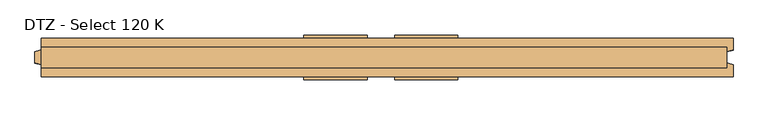
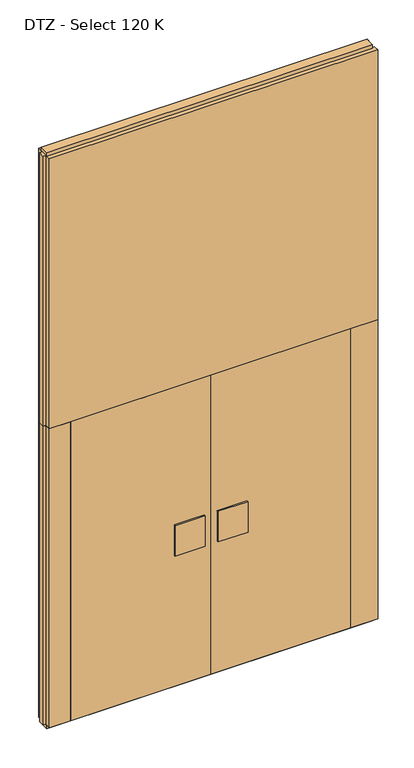
"""IFC4 building model written with IfcOpenShell, lengths in millimetres: door geometry, DTZ - Select 120 K."""

from ifc_helpers import new_model, si_unit, frame, origin, origin_with_axes, place, context, project, spatial, polyline, outline, extrude, source, transform, mapped, element, save


def dtz_select_120_k_d463adde(model_context):
    return source(origin(), model_context, "Body", "SweptSolid", [
        extrude(outline(polyline([(43.0, -70.0), (43.0, -60.0), (240.0, -60.0), (240.0, -70.0), (43.0, -70.0)])), frame((0.0, 0.0, 934.0), z_axis=(0.0, 0.0, 1.0), x_axis=(1.0, 0.0, 0.0)), (0.0, 0.0, 1.0), 212.0),
        extrude(outline(polyline([(43.0, 60.0), (43.0, 70.0), (240.0, 70.0), (240.0, 60.0), (43.0, 60.0)])), frame((0.0, 0.0, 934.0), z_axis=(0.0, 0.0, 1.0), x_axis=(1.0, 0.0, 0.0)), (0.0, 0.0, 1.0), 212.0),
        extrude(outline(polyline([(-920.0, -60.0), (-920.0, 60.0), (0.0, 60.0), (0.0, -60.0), (-920.0, -60.0)])), frame((0.0, 0.0, 25.0), z_axis=(0.0, 0.0, 1.0), x_axis=(1.0, 0.0, 0.0)), (0.0, 0.0, 1.0), 2075.0),
        extrude(outline(polyline([(0.0, -60.0), (0.0, 60.0), (920.0, 60.0), (920.0, -60.0), (0.0, -60.0)])), frame((0.0, 0.0, 25.0), z_axis=(0.0, 0.0, 1.0), x_axis=(1.0, 0.0, 0.0)), (0.0, 0.0, 1.0), 2075.0),
        extrude(outline(polyline([(-240.0, -70.0), (-240.0, -60.0), (-43.0, -60.0), (-43.0, -70.0), (-240.0, -70.0)])), frame((0.0, 0.0, 934.0), z_axis=(0.0, 0.0, 1.0), x_axis=(1.0, 0.0, 0.0)), (0.0, 0.0, 1.0), 212.0),
        extrude(outline(polyline([(-240.0, 60.0), (-240.0, 70.0), (-43.0, 70.0), (-43.0, 60.0), (-240.0, 60.0)])), frame((0.0, 0.0, 934.0), z_axis=(0.0, 0.0, 1.0), x_axis=(1.0, 0.0, 0.0)), (0.0, 0.0, 1.0), 212.0),
        extrude(outline(polyline([(1080.0, 32.0), (1080.0, -32.0), (-1060.0, -32.0), (-1060.0, 32.0), (1080.0, 32.0)])), origin_with_axes(), (0.0, 0.0, 1.0), 25.0),
        extrude(outline(polyline([(1080.0, 32.0), (1080.0, -32.0), (-1060.0, -32.0), (-1060.0, 32.0), (1080.0, 32.0)])), frame((0.0, 0.0, 3975.0), z_axis=(0.0, 0.0, 1.0), x_axis=(1.0, 0.0, 0.0)), (0.0, 0.0, 1.0), 25.0),
        extrude(outline(polyline([(1100.0, -60.0), (920.0, -60.0), (920.0, 60.0), (1100.0, 60.0), (1100.0, 23.0), (1080.0, 17.6410162), (1080.0, -17.6410162), (1100.0, -23.0), (1100.0, -60.0)])), frame((0.0, 0.0, 25.0), z_axis=(0.0, 0.0, 1.0), x_axis=(1.0, 0.0, 0.0)), (0.0, 0.0, 1.0), 2075.0),
        extrude(outline(polyline([(-1060.0, -60.0), (-1060.0, -23.0), (-1080.0, -17.6410162), (-1080.0, 17.6410162), (-1060.0, 23.0), (-1060.0, 60.0), (-920.0, 60.0), (-920.0, -60.0), (-1060.0, -60.0)])), frame((0.0, 0.0, 25.0), z_axis=(0.0, 0.0, 1.0), x_axis=(1.0, 0.0, 0.0)), (0.0, 0.0, 1.0), 2075.0),
        extrude(outline(polyline([(1100.0, 60.0), (1100.0, 23.0), (1080.0, 17.6410162), (1080.0, -17.6410162), (1100.0, -23.0), (1100.0, -60.0), (-1060.0, -60.0), (-1060.0, -23.0), (-1080.0, -17.6410162), (-1080.0, 17.6410162), (-1060.0, 23.0), (-1060.0, 60.0), (1100.0, 60.0)])), frame((0.0, 0.0, 2100.0), z_axis=(0.0, 0.0, 1.0), x_axis=(1.0, 0.0, 0.0)), (0.0, 0.0, 1.0), 1875.0),
    ])


if __name__ == "__main__":
    model = new_model("IFC4")
    model_context = context("Model", 3, world=origin())
    ifc_project = project(units=[si_unit("LENGTHUNIT", "METRE", prefix="MILLI")], contexts=[model_context])
    site = spatial("IfcSite", under=ifc_project)
    building = spatial("IfcBuilding", under=site)
    placement = place(None, origin())
    dtz_select_120_k_shape = dtz_select_120_k_d463adde(model_context)
    element("IfcDoor", 1, ObjectType="DTZ - Select 120 K", at=placement, inside=building, context=model_context, shape_type="MappedRepresentation", body=[
        mapped(dtz_select_120_k_shape, transform((0.0, 0.0, 0.0), x_axis=(1.0, 0.0, 0.0), y_axis=(0.0, 1.0, 0.0), z_axis=(0.0, 0.0, 1.0))),
    ])
    save(model, "model.ifc")
